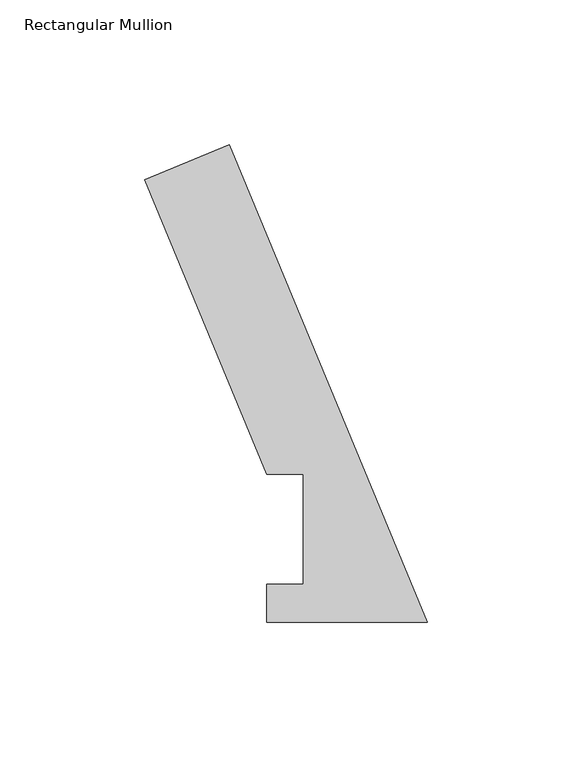
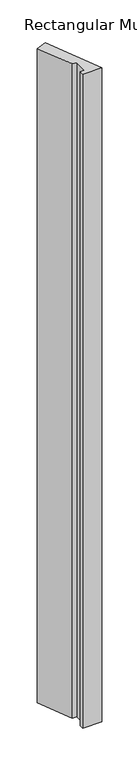
"""IFC4 building model written with IfcOpenShell, lengths in millimetres: member geometry, Rectangular Mullion."""

import ifcopenshell
import ifcopenshell.guid

model = None  # the IFC model being written
_history = None  # IfcOwnerHistory: only IFC2X3 demands one
_inside = {}  # id of a spatial element -> (the spatial element, [elements in it])
_under = {}  # id of a project, library or spatial element -> (it, [spatial elements below it])
_declared = {}  # id of a project -> (the project, [libraries it declares])
_typed = {}  # id of a type object -> (the type object, [elements of that type])
_made_of = {}  # id of a material, layer set ... -> (it, [elements and type objects made of it])


def new_model(schema):
    """Start an empty IFC model of exactly this schema.

    Asked for "IFC4X3", IfcOpenShell would pick the latest addendum, in which some entities
    have other attributes; the version numbers below select the first issue.
    IFC2X3 requires an IfcOwnerHistory on every rooted entity: one is made here for all.
    """
    global model, _history
    if schema == "IFC4X3":
        model = ifcopenshell.file(schema_version=(4, 3, 0, 0))
    else:
        model = ifcopenshell.file(schema=schema)
    _inside.clear()
    _under.clear()
    _declared.clear()
    _typed.clear()
    _made_of.clear()
    _history = None
    if model.schema == "IFC2X3":
        org = make("IfcOrganization", Name="unknown")
        user = make(
            "IfcPersonAndOrganization",
            ThePerson=make("IfcPerson", FamilyName="unknown"),
            TheOrganization=org,
        )
        app = make(
            "IfcApplication",
            ApplicationDeveloper=org,
            Version="unknown",
            ApplicationFullName="unknown",
            ApplicationIdentifier="unknown",
        )
        _history = make(
            "IfcOwnerHistory",
            OwningUser=user,
            OwningApplication=app,
            ChangeAction="ADDED",
            CreationDate=0,
        )
    return model


def make(cls, **values):
    """One entity of the class cls with the attributes given. An attribute that is None is left unset."""
    return model.create_entity(
        cls, **{name: value for name, value in values.items() if value is not None}
    )


def rooted(cls, **values):
    """An entity with a GlobalId (a new one), such as an element, a storey or a relation."""
    return make(cls, GlobalId=ifcopenshell.guid.new(), OwnerHistory=_history, **values)


def si_unit(unit_type, name, prefix=None):
    """IfcSIUnit, for example si_unit("LENGTHUNIT", "METRE", prefix="MILLI")."""
    return make("IfcSIUnit", UnitType=unit_type, Prefix=prefix, Name=name)


def assignment(units):
    """IfcUnitAssignment: the units of a project."""
    return None if units is None else make("IfcUnitAssignment", Units=units)


def point(xyz):
    """IfcCartesianPoint."""
    return None if xyz is None else make("IfcCartesianPoint", Coordinates=xyz)


def direction(xyz):
    """IfcDirection."""
    return None if xyz is None else make("IfcDirection", DirectionRatios=xyz)


def frame(location, z_axis=None, x_axis=None):
    """IfcAxis2Placement3D, a coordinate frame: its origin and axes. An axis left out is left unset."""
    return make(
        "IfcAxis2Placement3D",
        Location=point(location),
        Axis=direction(z_axis),
        RefDirection=direction(x_axis),
    )


def origin():
    """The frame at (0, 0, 0) with its axes left unset."""
    return frame((0.0, 0.0, 0.0))


def place(relative_to, where):
    """IfcLocalPlacement: puts the frame where relative to a parent placement (None: the world)."""
    return make(
        "IfcLocalPlacement", PlacementRelTo=relative_to, RelativePlacement=where
    )


def context(
    kind, dimensions, precision=None, world=None, true_north=None, identifier=None
):
    """IfcGeometricRepresentationContext, for example the 3D "Model" context."""
    return make(
        "IfcGeometricRepresentationContext",
        ContextIdentifier=identifier,
        ContextType=kind,
        CoordinateSpaceDimension=dimensions,
        Precision=precision,
        WorldCoordinateSystem=world,
        TrueNorth=true_north,
    )


def project(units=None, contexts=None):
    """IfcProject with its units and contexts."""
    return rooted(
        "IfcProject",
        Name="project",
        RepresentationContexts=contexts,
        UnitsInContext=assignment(units),
    )


def spatial(cls, under=None, at=None, **own):
    """A site, building, storey or space (cls), placed at a placement, below another one or the project."""
    s = rooted(cls, ObjectPlacement=at, **own)
    if under is not None:
        _under.setdefault(under.id(), (under, []))[1].append(s)
    return s


def polyline(points):
    """IfcPolyline through the points."""
    return make("IfcPolyline", Points=[point(p) for p in points])


def outline(outer, holes=None, kind="AREA"):
    """IfcArbitraryClosedProfileDef: a profile drawn as a closed curve; with holes, ...WithVoids."""
    if holes is None:
        return make("IfcArbitraryClosedProfileDef", ProfileType=kind, OuterCurve=outer)
    return make(
        "IfcArbitraryProfileDefWithVoids",
        ProfileType=kind,
        OuterCurve=outer,
        InnerCurves=holes,
    )


def extrude(swept, where, along, depth):
    """IfcExtrudedAreaSolid: the profile swept, set in the frame where, extruded along a direction by depth."""
    return make(
        "IfcExtrudedAreaSolid",
        SweptArea=swept,
        Position=where,
        ExtrudedDirection=direction(along),
        Depth=depth,
    )


def shape(context_of_items, identifier, shape_type, items):
    """IfcShapeRepresentation: the items that make up one representation, for example the "Body"."""
    return make(
        "IfcShapeRepresentation",
        ContextOfItems=context_of_items,
        RepresentationIdentifier=identifier,
        RepresentationType=shape_type,
        Items=items,
    )


def source(mapping_origin, context_of_items, identifier, shape_type, items):
    """IfcRepresentationMap: a shape defined once, which mapped items show again and again."""
    return make(
        "IfcRepresentationMap",
        MappingOrigin=mapping_origin,
        MappedRepresentation=shape(context_of_items, identifier, shape_type, items),
    )


def transform(
    local_origin,
    x_axis=None,
    y_axis=None,
    z_axis=None,
    scale=None,
    scale2=None,
    scale3=None,
    uniform=True,
):
    """IfcCartesianTransformationOperator3D, or its non-uniform kind. x_axis, y_axis, z_axis: its Axis1, 2, 3."""
    if uniform:
        return make(
            "IfcCartesianTransformationOperator3D",
            Axis1=direction(x_axis),
            Axis2=direction(y_axis),
            LocalOrigin=point(local_origin),
            Scale=scale,
            Axis3=direction(z_axis),
        )
    return make(
        "IfcCartesianTransformationOperator3DnonUniform",
        Axis1=direction(x_axis),
        Axis2=direction(y_axis),
        LocalOrigin=point(local_origin),
        Scale=scale,
        Axis3=direction(z_axis),
        Scale2=scale2,
        Scale3=scale3,
    )


def mapped(mapping_source, mapping_target):
    """IfcMappedItem: shows the shape of a source again, moved by a transform."""
    return make(
        "IfcMappedItem", MappingSource=mapping_source, MappingTarget=mapping_target
    )


def made_of(thing, what):
    """Note that an element or type object is made of a material, layer set ...; save() writes the relation."""
    if what is not None:
        _made_of.setdefault(what.id(), (what, []))[1].append(thing)
    return thing


def element(
    cls,
    number,
    at=None,
    inside=None,
    cuts=None,
    type_object=None,
    material=None,
    context=None,
    identifier="Body",
    shape_type=None,
    held_by="IfcProductDefinitionShape",
    body=None,
    shapes=None,
    **own,
):
    """One element of the class cls, such as IfcWall. Its Tag is "e" and its number.

    at: its placement. inside: the storey or other place that contains it. cuts: it is an
    opening in that element (IfcRelVoidsElement). A single representation is given by context,
    identifier, shape_type and body (its items); several are given by shapes. held_by: the class
    of the entity that holds the representations. save() writes the other relations.
    """
    e = rooted(cls, Tag="e%d" % number, ObjectPlacement=at, **own)
    if body is not None:
        shapes = [shape(context, identifier, shape_type, body)]
    if shapes is not None:
        e.Representation = make(held_by, Representations=shapes)
    if inside is not None:
        _inside.setdefault(inside.id(), (inside, []))[1].append(e)
    if cuts is not None:
        rooted(
            "IfcRelVoidsElement", RelatingBuildingElement=cuts, RelatedOpeningElement=e
        )
    if type_object is not None:
        _typed.setdefault(type_object.id(), (type_object, []))[1].append(e)
    return made_of(e, material)


def aggregate(whole, parts):
    """IfcRelAggregates: a whole, such as a stair, and the parts it consists of."""
    return rooted("IfcRelAggregates", RelatingObject=whole, RelatedObjects=parts)


def save(model, path):
    """Write the relations noted so far, then the file.

    IfcRelAggregates (storeys below a building ...), IfcRelContainedInSpatialStructure (elements
    in a storey), IfcRelDefinesByType, IfcRelAssociatesMaterial and IfcRelDeclares: one each for
    every whole, place, type object, material and project.
    """
    for whole, parts in _under.values():
        aggregate(whole, parts)
    for where, things in _inside.values():
        rooted(
            "IfcRelContainedInSpatialStructure",
            RelatedElements=things,
            RelatingStructure=where,
        )
    for kind, things in _typed.values():
        rooted("IfcRelDefinesByType", RelatedObjects=things, RelatingType=kind)
    for what, things in _made_of.values():
        rooted("IfcRelAssociatesMaterial", RelatedObjects=things, RelatingMaterial=what)
    for by, libraries in _declared.values():
        rooted("IfcRelDeclares", RelatingContext=by, RelatedDefinitions=libraries)
    model.write(path)


def rectangular_mullion_7069965b(model_context):
    return source(origin(), model_context, "Body", "SweptSolid", [
        extrude(outline(polyline([(-97.8168646, 153.2347441), (-68.4836894, 165.384943), (0.0, 0.0506912), (-55.6176679, 0.0506912), (-55.6176679, 13.2332912), (-42.8924931, 13.2332912), (-42.8924931, 51.2960938), (-55.5924931, 51.2960938), (-97.8168646, 153.2347441)])), frame((0.0, 0.0, -1993.9000001), z_axis=(0.0, 0.0, 1.0), x_axis=(1.0, 0.0, 0.0)), (0.0, 0.0, 1.0), 1993.9000001),
    ])


if __name__ == "__main__":
    model = new_model("IFC4")
    model_context = context("Model", 3, world=origin())
    ifc_project = project(units=[si_unit("LENGTHUNIT", "METRE", prefix="MILLI")], contexts=[model_context])
    site = spatial("IfcSite", under=ifc_project)
    building = spatial("IfcBuilding", under=site)
    placement = place(None, origin())
    rectangular_mullion_shape = rectangular_mullion_7069965b(model_context)
    element("IfcMember", 1, ObjectType="Rectangular Mullion", at=placement, inside=building, context=model_context, shape_type="MappedRepresentation", body=[
        mapped(rectangular_mullion_shape, transform((0.0, 0.0, 0.0), x_axis=(1.0, 0.0, 0.0), y_axis=(0.0, 1.0, 0.0), z_axis=(0.0, 0.0, 1.0))),
    ])
    save(model, "model.ifc")
